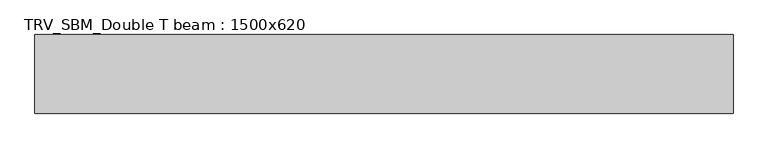
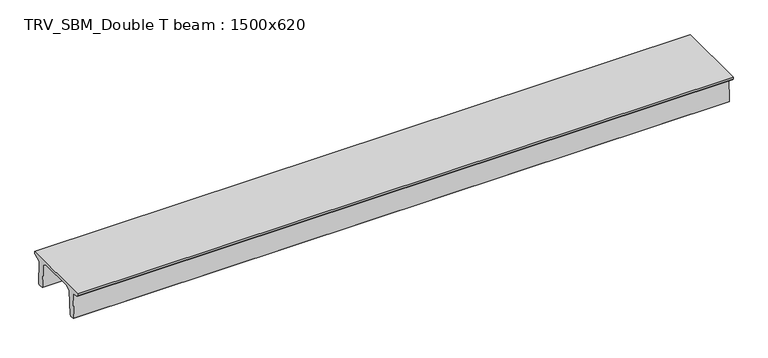
"""IFC4 building model written with IfcOpenShell, lengths in millimetres: beam geometry, TRV_SBM_Double T beam : 1500x620."""

from ifc_helpers import new_model, si_unit, frame, origin, place, context, project, spatial, polyline, outline, extrude, source, transform, mapped, element, save


def trv_sbm_double_t_beam_1500x620_7499983d(model_context):
    return source(origin(), model_context, "Body", "SweptSolid", [
        extrude(outline(polyline([(-765.0, 215.0), (-765.0, 260.0), (735.0, 260.0), (735.0, 215.0), (728.2094488, 201.315559), (578.0626443, 140.6523122), (594.8277662, -339.4379646), (574.2657308, -360.0), (484.2657308, -360.0), (464.786332, -340.5206011), (447.8600761, 144.18395), (338.3237744, 210.0), (-367.4555014, 210.0), (-476.5389732, 151.9992892), (-507.0080378, -339.3850967), (-527.622941, -360.0), (-615.122941, -360.0), (-637.1143055, -338.0086356), (-606.1572167, 162.687806), (-761.3068466, 204.260024), (-765.0, 215.0)])), frame((-6658.0, 0.0, 0.0), z_axis=(1.0, 0.0, 0.0), x_axis=(0.0, 1.0, 0.0)), (0.0, 0.0, 1.0), 13316.0),
    ])


if __name__ == "__main__":
    model = new_model("IFC4")
    model_context = context("Model", 3, world=origin())
    ifc_project = project(units=[si_unit("LENGTHUNIT", "METRE", prefix="MILLI")], contexts=[model_context])
    site = spatial("IfcSite", under=ifc_project)
    building = spatial("IfcBuilding", under=site)
    placement = place(None, origin())
    trv_sbm_double_t_beam_1500x620_shape = trv_sbm_double_t_beam_1500x620_7499983d(model_context)
    element("IfcBeam", 1, ObjectType="TRV_SBM_Double T beam : 1500x620", at=placement, inside=building, context=model_context, shape_type="MappedRepresentation", body=[
        mapped(trv_sbm_double_t_beam_1500x620_shape, transform((0.0, 0.0, 0.0), x_axis=(1.0, 0.0, 0.0), y_axis=(0.0, 1.0, 0.0), z_axis=(0.0, 0.0, 1.0))),
    ])
    save(model, "model.ifc")
